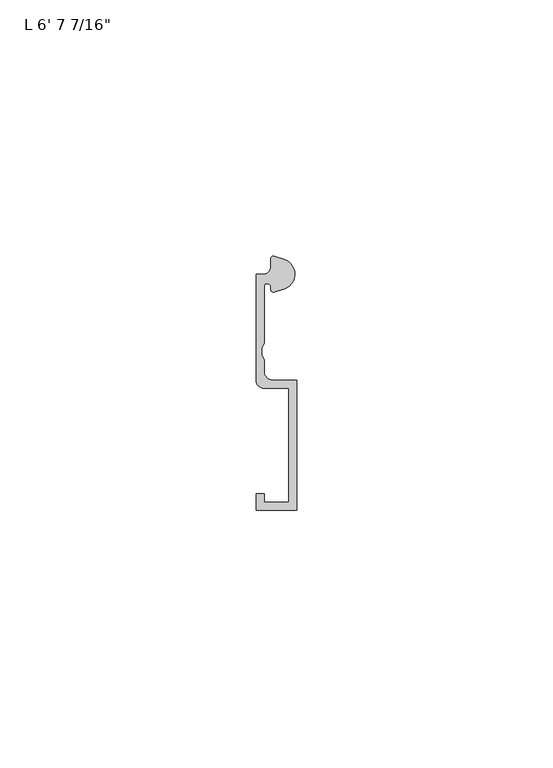
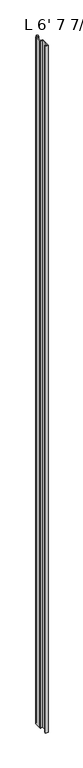
"""IFC4 building model written with IfcOpenShell, lengths in millimetres: proxy geometry."""

from ifc_helpers import new_model, si_unit, point, frame_2d, origin, origin_with_axes, place, context, project, spatial, polyline, circle_curve, trimmed, segment, composite_curve, outline, extrude, source, transform, mapped, element, save


def proxy_dbd5e002(model_context):
    return source(origin(), model_context, "Body", "SweptSolid", [
        extrude(outline(composite_curve([segment(trimmed(circle_curve(frame_2d((4.5018192, -3.531999)), 3.048), [point((5.4099313, -0.6224223))], [point((7.1037699, -1.944499))], False, "CARTESIAN"), True, "CONTINUOUS"), segment(trimmed(circle_curve(frame_2d((4.5018192, -3.531999)), 3.048), [point((7.1037699, -1.944499))], [point((5.4099313, -6.4415757))], False, "CARTESIAN"), True, "CONTINUOUS"), segment(polyline([(5.4099313, -6.4415757), (3.6135887, -7.0022347)]), True, "CONTINUOUS"), segment(trimmed(circle_curve(frame_2d((3.4254762, -6.4635334)), 0.5706009), [point((3.6135887, -7.0022347))], [point((2.8720827, -6.3244611))], False, "CARTESIAN"), True, "CONTINUOUS"), segment(trimmed(circle_curve(frame_2d((2.1330622, -6.1387392)), 0.762), [point((2.8720827, -6.3244611))], [point((2.1123834, -5.3770198))], True, "CARTESIAN"), True, "CONTINUOUS"), segment(trimmed(circle_curve(frame_2d((2.0955, -5.8847392)), 0.508), [point((2.1123834, -5.3770198))], [point((1.5875, -5.8847392))], True, "CARTESIAN"), True, "CONTINUOUS"), segment(polyline([(1.5875, -5.8847392), (1.5875, -17.0723512), (1.0783361, -17.9897709), (1.0783361, -19.3299316), (1.5875, -20.2473512), (1.5875, -22.6259797)]), True, "CONTINUOUS"), segment(trimmed(circle_curve(frame_2d((3.175, -22.6259797)), 1.5875), [point((1.5875, -22.6259797))], [point((3.175, -24.2134797))], True, "CARTESIAN"), True, "CONTINUOUS"), segment(polyline([(3.175, -24.2134797), (7.9375, -24.2134797), (7.9375, -49.6175641), (0.0, -49.6175641), (0.0, -46.4425641), (1.5875, -46.4425641), (1.5875, -48.0300641), (6.35, -48.0300641), (6.35, -25.8237392), (1.5875, -25.8237392)]), True, "CONTINUOUS"), segment(trimmed(circle_curve(frame_2d((1.5875, -24.2362392)), 1.5875), [point((1.5875, -25.8237392))], [point((0.0, -24.2362392))], False, "CARTESIAN"), True, "CONTINUOUS"), segment(polyline([(0.0, -24.2362392), (0.0, -3.5987392), (1.3075622, -3.5987392)]), True, "CONTINUOUS"), segment(trimmed(circle_curve(frame_2d((1.3075622, -2.0112392)), 1.5875), [point((1.3075622, -3.5987392))], [point((2.8950622, -2.0112392))], True, "CARTESIAN"), True, "CONTINUOUS"), segment(polyline([(2.8950622, -2.0112392), (2.8950622, -0.4696291)]), True, "CONTINUOUS"), segment(trimmed(circle_curve(frame_2d((3.3646912, -0.4696291)), 0.4696291), [point((2.8950622, -0.4696291))], [point((3.5749842, -0.0497144))], False, "CARTESIAN"), True, "CONTINUOUS"), segment(polyline([(3.5749842, -0.0497144), (5.4099313, -0.6224223)]), True, "CONTINUOUS")], self_intersect=False)), origin_with_axes(), (0.0, 0.0, 1.0), 2017.7125),
    ])


if __name__ == "__main__":
    model = new_model("IFC4")
    model_context = context("Model", 3, world=origin())
    ifc_project = project(units=[si_unit("LENGTHUNIT", "METRE", prefix="MILLI")], contexts=[model_context])
    site = spatial("IfcSite", under=ifc_project)
    building = spatial("IfcBuilding", under=site)
    placement = place(None, origin())
    proxy_shape = proxy_dbd5e002(model_context)
    element("IfcBuildingElementProxy", 1, Name="L 6' 7 7/16\"", ObjectType="L 6' 7 7/16\"", at=placement, inside=building, context=model_context, shape_type="MappedRepresentation", body=[
        mapped(proxy_shape, transform((0.0, 0.0, 0.0), x_axis=(1.0, 0.0, 0.0), y_axis=(0.0, 1.0, 0.0), z_axis=(0.0, 0.0, 1.0))),
    ])
    save(model, "model.ifc")
